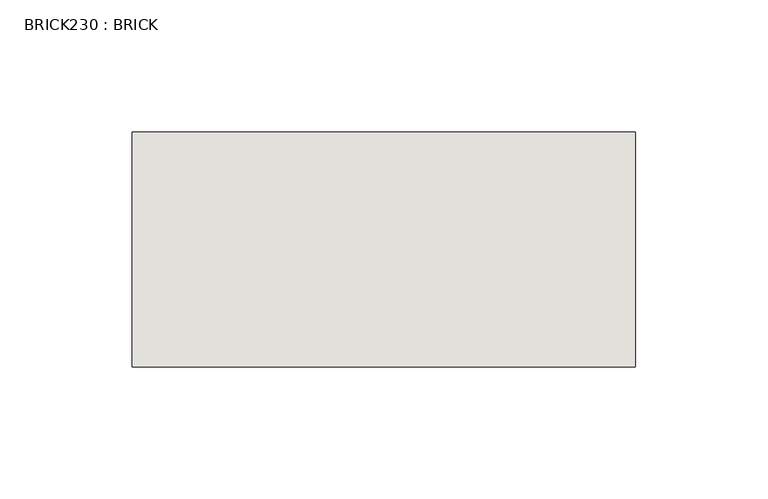
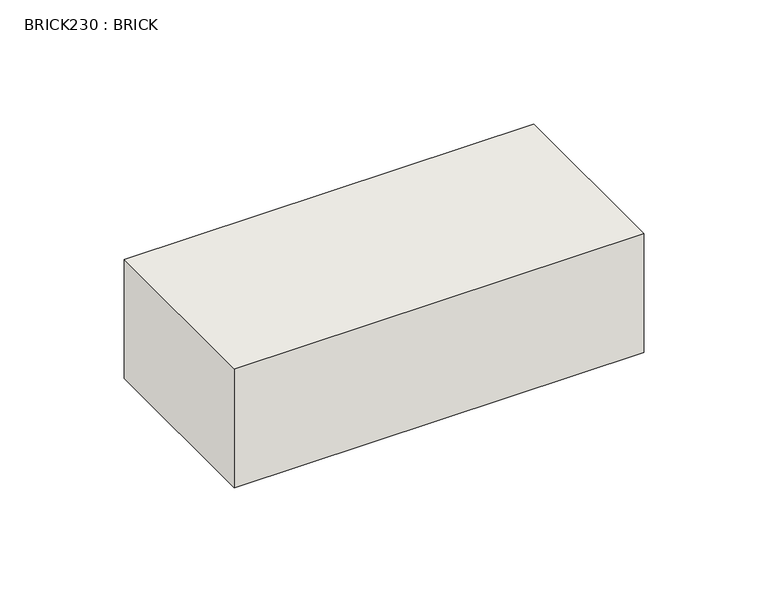
"""IFC4 building model written with IfcOpenShell, lengths in millimetres: wall geometry, BRICK230 : BRICK."""

from ifc_helpers import new_model, si_unit, frame, origin, place, context, project, spatial, polyline, outline, extrude, source, transform, mapped, element, save


def brick230_brick_bee22396(model_context):
    return source(origin(), model_context, "Body", "SweptSolid", [
        extrude(outline(polyline([(-1481.0574357, 3062.3923312), (-1290.5574357, 3062.3923312), (-1290.5574357, 2973.4923312), (-1481.0574357, 2973.4923312), (-1481.0574357, 3062.3923312)])), frame((0.0, 0.0, 283.5671875), z_axis=(0.0, 0.0, 1.0), x_axis=(1.0, 0.0, 0.0)), (0.0, 0.0, 1.0), 58.4398437),
    ])


if __name__ == "__main__":
    model = new_model("IFC4")
    model_context = context("Model", 3, world=origin())
    ifc_project = project(units=[si_unit("LENGTHUNIT", "METRE", prefix="MILLI")], contexts=[model_context])
    site = spatial("IfcSite", under=ifc_project)
    building = spatial("IfcBuilding", under=site)
    placement = place(None, origin())
    brick230_brick_shape = brick230_brick_bee22396(model_context)
    element("IfcWall", 1, ObjectType="BRICK230 : BRICK", at=placement, inside=building, context=model_context, shape_type="MappedRepresentation", body=[
        mapped(brick230_brick_shape, transform((0.0, 0.0, 0.0), x_axis=(1.0, 0.0, 0.0), y_axis=(0.0, 1.0, 0.0), z_axis=(0.0, 0.0, 1.0))),
    ])
    save(model, "model.ifc")
